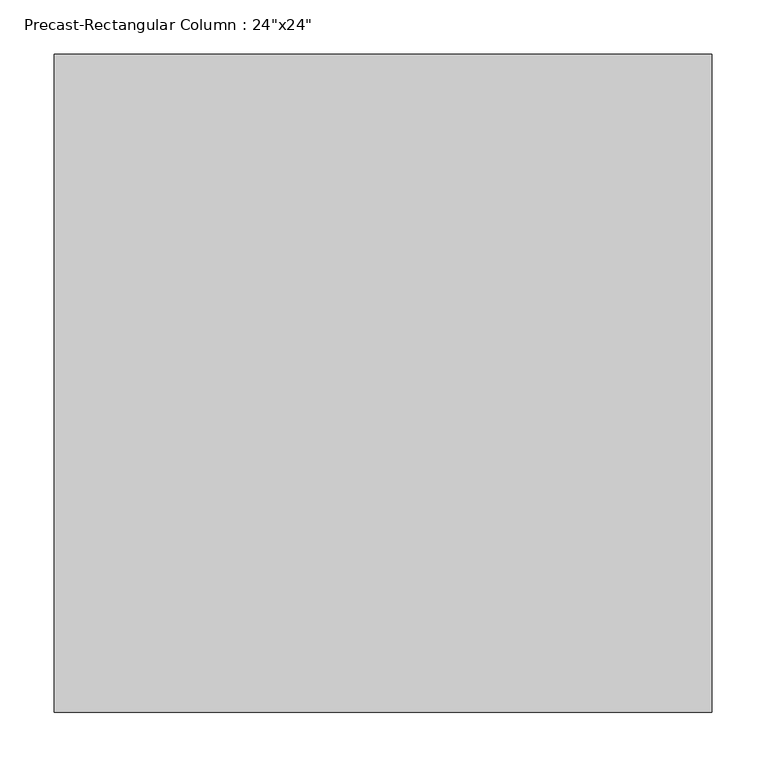
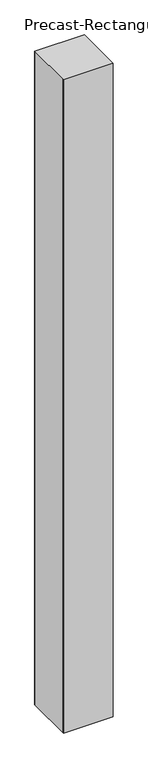
"""IFC4 building model written with IfcOpenShell, lengths in millimetres: column geometry."""

from ifc_helpers import new_model, si_unit, frame, origin, place, context, project, spatial, polyline, outline, extrude, source, transform, mapped, element, save


def column_2336da9e(model_context):
    return source(origin(), model_context, "Body", "SweptSolid", [
        extrude(outline(polyline([(304.8, 304.8), (304.8, 294.8), (304.8, -294.8), (304.8, -304.8), (-304.8, -304.8), (-304.8, -294.8), (-304.8, 294.8), (-304.8, 304.8), (304.8, 304.8)])), frame((0.0, 0.0, -3454.4), z_axis=(0.0, 0.0, 1.0), x_axis=(1.0, 0.0, 0.0)), (0.0, 0.0, 1.0), 8464.153125),
    ])


if __name__ == "__main__":
    model = new_model("IFC4")
    model_context = context("Model", 3, world=origin())
    ifc_project = project(units=[si_unit("LENGTHUNIT", "METRE", prefix="MILLI")], contexts=[model_context])
    site = spatial("IfcSite", under=ifc_project)
    building = spatial("IfcBuilding", under=site)
    placement = place(None, origin())
    column_shape = column_2336da9e(model_context)
    element("IfcColumn", 1, ObjectType="Precast-Rectangular Column : 24\"x24\"", at=placement, inside=building, context=model_context, shape_type="MappedRepresentation", body=[
        mapped(column_shape, transform((0.0, 0.0, 0.0), x_axis=(1.0, 0.0, 0.0), y_axis=(0.0, 1.0, 0.0), z_axis=(0.0, 0.0, 1.0))),
    ])
    save(model, "model.ifc")
